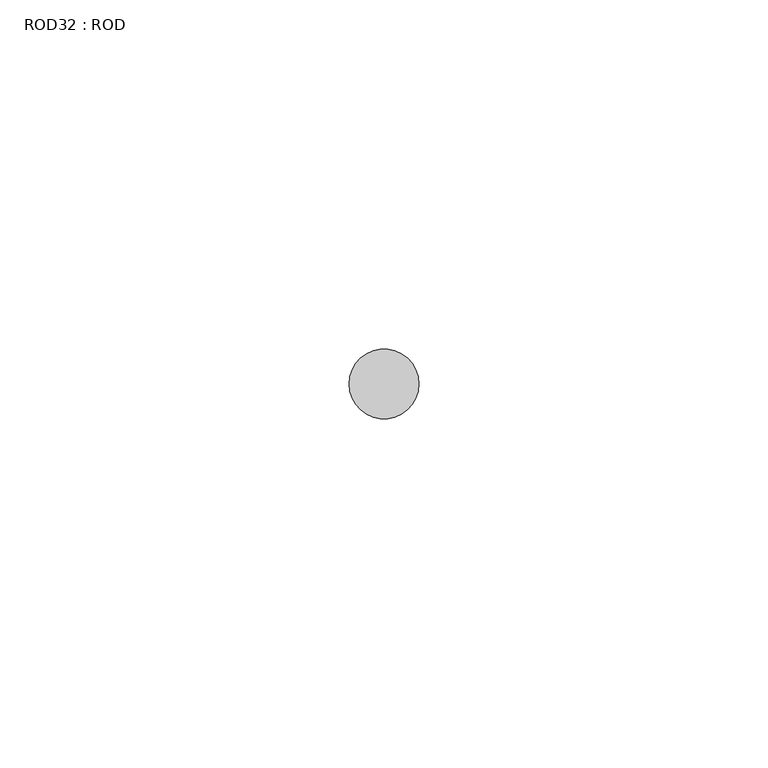
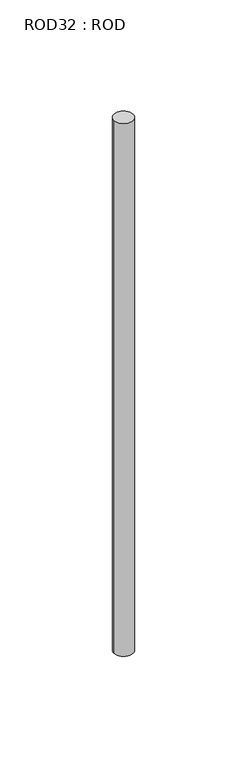
"""IFC4 building model written with IfcOpenShell, lengths in millimetres: proxy geometry, ROD32 : ROD."""

from ifc_helpers import new_model, si_unit, point, frame, frame_2d, origin, place, context, project, spatial, circle_curve, trimmed, segment, composite_curve, outline, extrude, source, transform, mapped, element, save


def rod32_rod_697b674a(model_context):
    return source(origin(), model_context, "Body", "SweptSolid", [
        extrude(outline(composite_curve([segment(trimmed(circle_curve(frame_2d((-1147.2215616, -1114.6300853)), 5.0), [point((-1152.2215616, -1114.6300853))], [point((-1142.2215616, -1114.6300853))], False, "CARTESIAN"), True, "CONTINUOUS"), segment(trimmed(circle_curve(frame_2d((-1147.2215616, -1114.6300853)), 5.0), [point((-1142.2215616, -1114.6300853))], [point((-1152.2215616, -1114.6300853))], False, "CARTESIAN"), True, "CONTINUOUS")], self_intersect=False)), frame((0.0, 0.0, -208.6608845), z_axis=(0.0, 0.0, 1.0), x_axis=(1.0, 0.0, 0.0)), (0.0, 0.0, 1.0), 298.9028972),
    ])


if __name__ == "__main__":
    model = new_model("IFC4")
    model_context = context("Model", 3, world=origin())
    ifc_project = project(units=[si_unit("LENGTHUNIT", "METRE", prefix="MILLI")], contexts=[model_context])
    site = spatial("IfcSite", under=ifc_project)
    building = spatial("IfcBuilding", under=site)
    placement = place(None, origin())
    rod32_rod_shape = rod32_rod_697b674a(model_context)
    element("IfcBuildingElementProxy", 1, Name="ROD32 : ROD", ObjectType="ROD32 : ROD", at=placement, inside=building, context=model_context, shape_type="MappedRepresentation", body=[
        mapped(rod32_rod_shape, transform((0.0, 0.0, 0.0), x_axis=(1.0, 0.0, 0.0), y_axis=(0.0, 1.0, 0.0), z_axis=(0.0, 0.0, 1.0))),
    ])
    save(model, "model.ifc")
